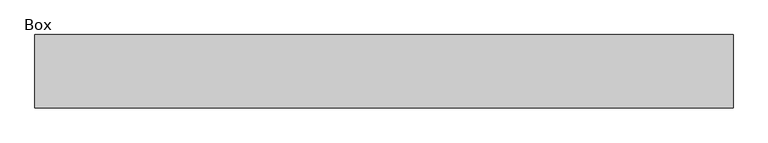
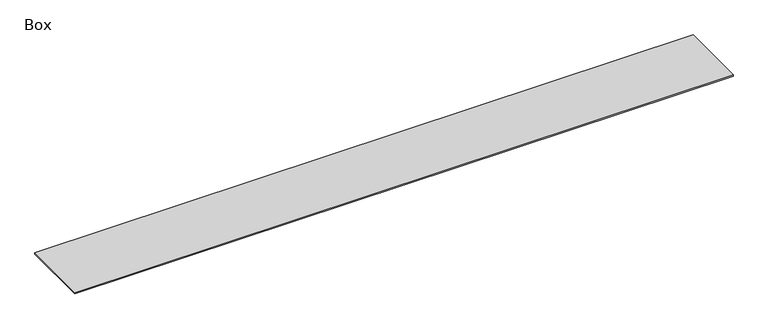
"""IFC4 building model written with IfcOpenShell, lengths in millimetres: furniture geometry, Box."""

from ifc_helpers import new_model, si_unit, origin, origin_with_axes, place, context, project, spatial, polyline, outline, extrude, source, transform, mapped, element, save


def box_e86b7a2f(model_context):
    return source(origin(), model_context, "Body", "SweptSolid", [
        extrude(outline(polyline([(3111.5, 105.0465234), (3111.5, -504.5534766), (-2679.7, -504.5534766), (-2679.7, 105.0465234), (3111.5, 105.0465234)])), origin_with_axes(), (0.0, 0.0, 1.0), 12.7),
    ])


if __name__ == "__main__":
    model = new_model("IFC4")
    model_context = context("Model", 3, world=origin())
    ifc_project = project(units=[si_unit("LENGTHUNIT", "METRE", prefix="MILLI")], contexts=[model_context])
    site = spatial("IfcSite", under=ifc_project)
    building = spatial("IfcBuilding", under=site)
    placement = place(None, origin())
    box_shape = box_e86b7a2f(model_context)
    element("IfcFurniture", 1, ObjectType="Box", at=placement, inside=building, context=model_context, shape_type="MappedRepresentation", body=[
        mapped(box_shape, transform((0.0, 0.0, 0.0), x_axis=(1.0, 0.0, 0.0), y_axis=(0.0, 1.0, 0.0), z_axis=(0.0, 0.0, 1.0))),
    ])
    save(model, "model.ifc")
